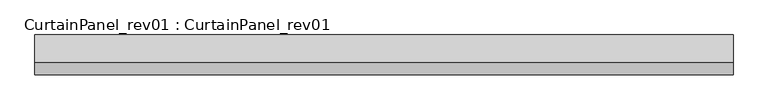
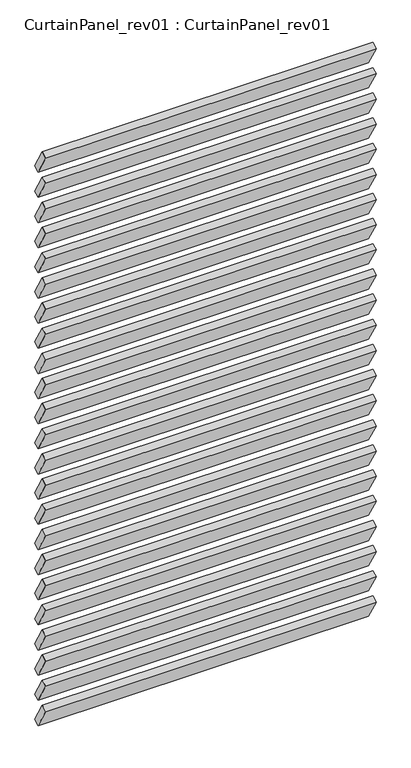
"""IFC4 building model written with IfcOpenShell, lengths in millimetres: plate geometry, CurtainPanel_rev01 : CurtainPanel_rev01."""

from ifc_helpers import new_model, si_unit, frame, origin, place, context, project, spatial, polyline, outline, extrude, source, transform, mapped, element, save


def curtainpanel_rev01_curtainpanel_rev01_a4e1b7d1(model_context):
    return source(origin(), model_context, "Body", "SweptSolid", [
        extrude(outline(polyline([(0.0, -24.9999999), (0.0, 0.0), (1258.3333334, 0.0), (1258.3333334, -24.9999999), (0.0, -24.9999999)])), frame((629.1666667, 14.1746825, 2124.3123662), z_axis=(0.0, -0.5000000000000009, 0.8660254037844382), x_axis=(-1.0, 0.0, 0.0)), (0.0, 0.0, 1.0), 100.0),
        extrude(outline(polyline([(0.0, -24.9999999), (0.0, 0.0), (1258.3333334, 0.0), (1258.3333334, -24.9999999), (0.0, -24.9999999)])), frame((629.1666667, 14.1746825, 2023.1760025), z_axis=(0.0, -0.5000000000000009, 0.8660254037844382), x_axis=(-1.0, 0.0, 0.0)), (0.0, 0.0, 1.0), 100.0),
        extrude(outline(polyline([(0.0, -24.9999999), (0.0, 0.0), (1258.3333334, 0.0), (1258.3333334, -24.9999999), (0.0, -24.9999999)])), frame((629.1666667, 14.1746825, 1922.0396389), z_axis=(0.0, -0.5000000000000009, 0.8660254037844382), x_axis=(-1.0, 0.0, 0.0)), (0.0, 0.0, 1.0), 100.0),
        extrude(outline(polyline([(0.0, -24.9999999), (0.0, 0.0), (1258.3333334, 0.0), (1258.3333334, -24.9999999), (0.0, -24.9999999)])), frame((629.1666667, 14.1746825, 1820.9032753), z_axis=(0.0, -0.5000000000000009, 0.8660254037844382), x_axis=(-1.0, 0.0, 0.0)), (0.0, 0.0, 1.0), 100.0),
        extrude(outline(polyline([(0.0, -24.9999999), (0.0, 0.0), (1258.3333334, 0.0), (1258.3333334, -24.9999999), (0.0, -24.9999999)])), frame((629.1666667, 14.1746825, 1719.7669116), z_axis=(0.0, -0.5000000000000009, 0.8660254037844382), x_axis=(-1.0, 0.0, 0.0)), (0.0, 0.0, 1.0), 100.0),
        extrude(outline(polyline([(0.0, -24.9999999), (0.0, 0.0), (1258.3333334, 0.0), (1258.3333334, -24.9999999), (0.0, -24.9999999)])), frame((629.1666667, 14.1746825, 1618.630548), z_axis=(0.0, -0.5000000000000009, 0.8660254037844382), x_axis=(-1.0, 0.0, 0.0)), (0.0, 0.0, 1.0), 100.0),
        extrude(outline(polyline([(0.0, -24.9999999), (0.0, 0.0), (1258.3333334, 0.0), (1258.3333334, -24.9999999), (0.0, -24.9999999)])), frame((629.1666667, 14.1746825, 1517.4941844), z_axis=(0.0, -0.5000000000000009, 0.8660254037844382), x_axis=(-1.0, 0.0, 0.0)), (0.0, 0.0, 1.0), 100.0),
        extrude(outline(polyline([(0.0, -24.9999999), (0.0, 0.0), (1258.3333334, 0.0), (1258.3333334, -24.9999999), (0.0, -24.9999999)])), frame((629.1666667, 14.1746825, 1416.3578207), z_axis=(0.0, -0.5000000000000009, 0.8660254037844382), x_axis=(-1.0, 0.0, 0.0)), (0.0, 0.0, 1.0), 100.0),
        extrude(outline(polyline([(0.0, -24.9999999), (0.0, 0.0), (1258.3333334, 0.0), (1258.3333334, -24.9999999), (0.0, -24.9999999)])), frame((629.1666667, 14.1746825, 1315.2214571), z_axis=(0.0, -0.5000000000000009, 0.8660254037844382), x_axis=(-1.0, 0.0, 0.0)), (0.0, 0.0, 1.0), 100.0),
        extrude(outline(polyline([(0.0, -24.9999999), (0.0, 0.0), (1258.3333334, 0.0), (1258.3333334, -24.9999999), (0.0, -24.9999999)])), frame((629.1666667, 14.1746825, 1214.0850934), z_axis=(0.0, -0.5000000000000009, 0.8660254037844382), x_axis=(-1.0, 0.0, 0.0)), (0.0, 0.0, 1.0), 100.0),
        extrude(outline(polyline([(0.0, -24.9999999), (0.0, 0.0), (1258.3333334, 0.0), (1258.3333334, -24.9999999), (0.0, -24.9999999)])), frame((629.1666667, 14.1746825, 1112.9487298), z_axis=(0.0, -0.5000000000000009, 0.8660254037844382), x_axis=(-1.0, 0.0, 0.0)), (0.0, 0.0, 1.0), 100.0),
        extrude(outline(polyline([(0.0, -24.9999999), (0.0, 0.0), (1258.3333334, 0.0), (1258.3333334, -24.9999999), (0.0, -24.9999999)])), frame((629.1666667, 14.1746825, 1011.8123662), z_axis=(0.0, -0.5000000000000009, 0.8660254037844382), x_axis=(-1.0, 0.0, 0.0)), (0.0, 0.0, 1.0), 100.0),
        extrude(outline(polyline([(0.0, -24.9999999), (0.0, 0.0), (1258.3333334, 0.0), (1258.3333334, -24.9999999), (0.0, -24.9999999)])), frame((629.1666667, 14.1746825, 910.6760025), z_axis=(0.0, -0.5000000000000009, 0.8660254037844382), x_axis=(-1.0, 0.0, 0.0)), (0.0, 0.0, 1.0), 100.0),
        extrude(outline(polyline([(0.0, -24.9999999), (0.0, 0.0), (1258.3333334, 0.0), (1258.3333334, -24.9999999), (0.0, -24.9999999)])), frame((629.1666667, 14.1746825, 809.5396389), z_axis=(0.0, -0.5000000000000009, 0.8660254037844382), x_axis=(-1.0, 0.0, 0.0)), (0.0, 0.0, 1.0), 100.0),
        extrude(outline(polyline([(0.0, -24.9999999), (0.0, 0.0), (1258.3333334, 0.0), (1258.3333334, -24.9999999), (0.0, -24.9999999)])), frame((629.1666667, 14.1746825, 708.4032753), z_axis=(0.0, -0.5000000000000009, 0.8660254037844382), x_axis=(-1.0, 0.0, 0.0)), (0.0, 0.0, 1.0), 100.0),
        extrude(outline(polyline([(0.0, -24.9999999), (0.0, 0.0), (1258.3333334, 0.0), (1258.3333334, -24.9999999), (0.0, -24.9999999)])), frame((629.1666667, 14.1746825, 607.2669116), z_axis=(0.0, -0.5000000000000009, 0.8660254037844382), x_axis=(-1.0, 0.0, 0.0)), (0.0, 0.0, 1.0), 100.0),
        extrude(outline(polyline([(0.0, -24.9999999), (0.0, 0.0), (1258.3333334, 0.0), (1258.3333334, -24.9999999), (0.0, -24.9999999)])), frame((629.1666667, 14.1746825, 506.130548), z_axis=(0.0, -0.5000000000000009, 0.8660254037844382), x_axis=(-1.0, 0.0, 0.0)), (0.0, 0.0, 1.0), 100.0),
        extrude(outline(polyline([(0.0, -24.9999999), (0.0, 0.0), (1258.3333334, 0.0), (1258.3333334, -24.9999999), (0.0, -24.9999999)])), frame((629.1666667, 14.1746825, 404.9941844), z_axis=(0.0, -0.5000000000000009, 0.8660254037844382), x_axis=(-1.0, 0.0, 0.0)), (0.0, 0.0, 1.0), 100.0),
        extrude(outline(polyline([(0.0, -24.9999999), (0.0, 0.0), (1258.3333334, 0.0), (1258.3333334, -24.9999999), (0.0, -24.9999999)])), frame((629.1666667, 14.1746825, 303.8578207), z_axis=(0.0, -0.5000000000000009, 0.8660254037844382), x_axis=(-1.0, 0.0, 0.0)), (0.0, 0.0, 1.0), 100.0),
        extrude(outline(polyline([(0.0, -24.9999999), (0.0, 0.0), (1258.3333334, 0.0), (1258.3333334, -24.9999999), (0.0, -24.9999999)])), frame((629.1666667, 14.1746825, 202.7214571), z_axis=(0.0, -0.5000000000000009, 0.8660254037844382), x_axis=(-1.0, 0.0, 0.0)), (0.0, 0.0, 1.0), 100.0),
        extrude(outline(polyline([(0.0, -24.9999999), (0.0, 0.0), (1258.3333334, 0.0), (1258.3333334, -24.9999999), (0.0, -24.9999999)])), frame((629.1666667, 14.1746825, 101.5850934), z_axis=(0.0, -0.5000000000000009, 0.8660254037844382), x_axis=(-1.0, 0.0, 0.0)), (0.0, 0.0, 1.0), 100.0),
        extrude(outline(polyline([(0.0, -24.9999999), (0.0, 0.0), (1258.3333334, 0.0), (1258.3333334, -24.9999999), (0.0, -24.9999999)])), frame((629.1666667, 14.1746825, 2225.4487298), z_axis=(0.0, -0.5000000000000009, 0.8660254037844382), x_axis=(-1.0, 0.0, 0.0)), (0.0, 0.0, 1.0), 100.0),
        extrude(outline(polyline([(0.0, -24.9999999), (0.0, 0.0), (1258.3333334, 0.0), (1258.3333334, -24.9999999), (0.0, -24.9999999)])), frame((629.1666667, 14.1746825, 0.4487298), z_axis=(0.0, -0.5000000000000009, 0.8660254037844382), x_axis=(-1.0, 0.0, 0.0)), (0.0, 0.0, 1.0), 100.0),
    ])


if __name__ == "__main__":
    model = new_model("IFC4")
    model_context = context("Model", 3, world=origin())
    ifc_project = project(units=[si_unit("LENGTHUNIT", "METRE", prefix="MILLI")], contexts=[model_context])
    site = spatial("IfcSite", under=ifc_project)
    building = spatial("IfcBuilding", under=site)
    placement = place(None, origin())
    curtainpanel_rev01_curtainpanel_rev01_shape = curtainpanel_rev01_curtainpanel_rev01_a4e1b7d1(model_context)
    element("IfcPlate", 1, ObjectType="CurtainPanel_rev01 : CurtainPanel_rev01", at=placement, inside=building, context=model_context, shape_type="MappedRepresentation", body=[
        mapped(curtainpanel_rev01_curtainpanel_rev01_shape, transform((0.0, 0.0, 0.0), x_axis=(1.0, 0.0, 0.0), y_axis=(0.0, 1.0, 0.0), z_axis=(0.0, 0.0, 1.0))),
    ])
    save(model, "model.ifc")
